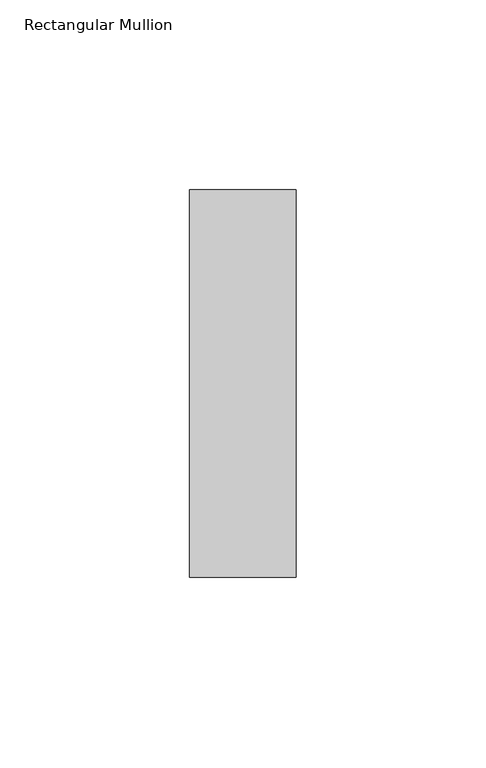
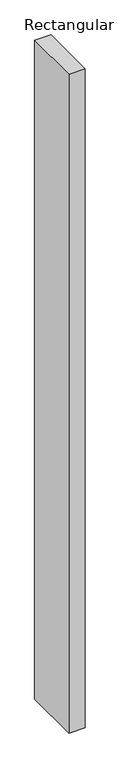
"""IFC4 building model written with IfcOpenShell, lengths in millimetres: member geometry, Rectangular Mullion."""

from ifc_helpers import new_model, si_unit, frame, origin, place, context, project, spatial, polyline, outline, extrude, source, transform, mapped, element, save


def rectangular_mullion_234e1d1f(model_context):
    return source(origin(), model_context, "Body", "SweptSolid", [
        extrude(outline(polyline([(0.0, -51.0), (-28.0, -51.0), (-28.0, 51.0), (0.0, 51.0), (0.0, -51.0)])), frame((0.0, 0.0, -1200.0), z_axis=(0.0, 0.0, 1.0), x_axis=(1.0, 0.0, 0.0)), (0.0, 0.0, 1.0), 1200.0),
    ])


if __name__ == "__main__":
    model = new_model("IFC4")
    model_context = context("Model", 3, world=origin())
    ifc_project = project(units=[si_unit("LENGTHUNIT", "METRE", prefix="MILLI")], contexts=[model_context])
    site = spatial("IfcSite", under=ifc_project)
    building = spatial("IfcBuilding", under=site)
    placement = place(None, origin())
    rectangular_mullion_shape = rectangular_mullion_234e1d1f(model_context)
    element("IfcMember", 1, ObjectType="Rectangular Mullion", at=placement, inside=building, context=model_context, shape_type="MappedRepresentation", body=[
        mapped(rectangular_mullion_shape, transform((0.0, 0.0, 0.0), x_axis=(1.0, 0.0, 0.0), y_axis=(0.0, 1.0, 0.0), z_axis=(0.0, 0.0, 1.0))),
    ])
    save(model, "model.ifc")
